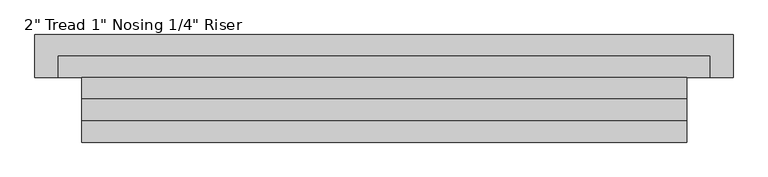
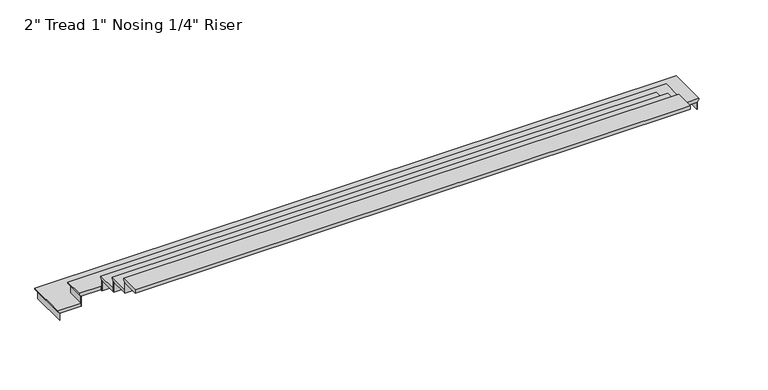
"""IFC4 building model written with IfcOpenShell, lengths in millimetres: stair flight geometry."""

from ifc_helpers import new_model, si_unit, origin, place, context, project, spatial, faceted_brep, source, transform, mapped, element, save


def stair_flight_d4f908f3(model_context):
    return source(origin(), model_context, "Body", "Brep", [
        faceted_brep([(-241855.058791, 154737.5023046, 438.15), (-241855.058791, 154737.5023046, 457.2), (-241855.058791, 155296.3023046, 457.2), (-241855.058791, 155296.3023046, 438.15), (-241829.658791, 154737.5023046, 412.75), (-241829.658791, 155270.9023046, 412.75), (-232792.3890136, 155296.3023046, 457.2), (-232792.3890136, 155296.3023046, 438.15), (-232817.7890136, 155270.9023046, 412.75), (-232792.3890136, 154737.5023046, 457.2), (-232792.3890136, 154737.5023046, 438.15), (-232817.7890136, 154737.5023046, 412.75), (-241527.4239023, 154737.5023046, 457.2), (-241527.4239023, 154991.5023046, 457.2), (-241248.0239023, 154991.5023046, 457.2), (-233120.0239023, 154991.5023046, 457.2), (-233120.0239023, 154737.5023046, 457.2), (-232817.7890136, 154737.5023046, 406.4), (-233120.0239023, 154737.5023046, 406.4), (-233120.0239023, 154991.5023046, 406.4), (-241248.0239023, 154991.5023046, 406.4), (-241527.4239023, 154991.5023046, 406.4), (-241527.4239023, 154737.5023046, 406.4), (-241829.658791, 154737.5023046, 406.4), (-241829.658791, 155270.9023046, 406.4), (-232817.7890136, 155270.9023046, 406.4)], [[[0, 1, 2, 3]], [[4, 0, 3, 5]], [[3, 2, 6, 7]], [[5, 3, 7, 8]], [[7, 6, 9, 10]], [[8, 7, 10, 11]], [[9, 6, 2, 1, 12, 13, 14, 15, 16]], [[17, 18, 19, 20, 21, 22, 23, 24, 25]], [[9, 16, 18, 17, 11, 10]], [[17, 25, 8, 11]], [[25, 24, 5, 8]], [[24, 23, 4, 5]], [[12, 1, 0, 4, 23, 22]], [[13, 12, 22, 21]], [[14, 13, 21, 20]], [[15, 14, 20, 19]], [[16, 15, 19, 18]]]),
        faceted_brep([(-241829.658791, 154737.5023046, 406.4), (-241829.658791, 154737.5023046, 304.8), (-241823.308791, 154737.5023046, 304.8), (-241823.308791, 154737.5023046, 406.4), (-241829.658791, 155270.9023046, 406.4), (-241829.658791, 155270.9023046, 304.8), (-241823.308791, 155264.5523046, 304.8), (-241823.308791, 155264.5523046, 406.4), (-232817.7890136, 155270.9023046, 406.4), (-232817.7890136, 155270.9023046, 304.8), (-232824.1390136, 155264.5523046, 304.8), (-232824.1390136, 155264.5523046, 406.4), (-232817.7890136, 154737.5023046, 406.4), (-232824.1390136, 154737.5023046, 406.4), (-232824.1390136, 154737.5023046, 304.8), (-232817.7890136, 154737.5023046, 304.8)], [[[0, 1, 2, 3]], [[1, 0, 4, 5]], [[2, 1, 5, 6]], [[3, 2, 6, 7]], [[0, 3, 7, 4]], [[5, 4, 8, 9]], [[6, 5, 9, 10]], [[7, 6, 10, 11]], [[4, 7, 11, 8]], [[12, 13, 14, 15]], [[9, 8, 12, 15]], [[10, 9, 15, 14]], [[11, 10, 14, 13]], [[8, 11, 13, 12]]]),
        faceted_brep([(-241527.4239023, 154737.5023046, 558.8), (-241527.4239023, 154737.5023046, 406.4), (-241521.0739023, 154737.5023046, 406.4), (-241521.0739023, 154737.5023046, 558.8), (-241527.4239023, 154991.5023046, 558.8), (-241527.4239023, 154991.5023046, 406.4), (-241521.0739023, 154985.1523046, 406.4), (-241521.0739023, 154985.1523046, 558.8), (-233120.0239023, 154991.5023046, 558.8), (-233120.0239023, 154991.5023046, 406.4), (-233126.3739023, 154985.1523046, 406.4), (-233126.3739023, 154985.1523046, 558.8), (-233120.0239023, 154737.5023046, 558.8), (-233126.3739023, 154737.5023046, 558.8), (-233126.3739023, 154737.5023046, 406.4), (-233120.0239023, 154737.5023046, 406.4)], [[[0, 1, 2, 3]], [[1, 0, 4, 5]], [[2, 1, 5, 6]], [[3, 2, 6, 7]], [[0, 3, 7, 4]], [[5, 4, 8, 9]], [[6, 5, 9, 10]], [[7, 6, 10, 11]], [[4, 7, 11, 8]], [[12, 13, 14, 15]], [[9, 8, 12, 15]], [[10, 9, 15, 14]], [[11, 10, 14, 13]], [[8, 11, 13, 12]]]),
        faceted_brep([(-233396.858791, 154712.1023046, 609.6), (-233396.858791, 154737.5023046, 609.6), (-233094.6239023, 154737.5023046, 609.6), (-233094.6239023, 155016.9023046, 609.6), (-241552.8239023, 155016.9023046, 609.6), (-241552.8239023, 154737.5023046, 609.6), (-241245.458791, 154737.5023046, 609.6), (-241245.458791, 154712.1023046, 609.6), (-233396.858791, 154737.5023046, 558.8), (-233396.858791, 154712.1023046, 558.8), (-241245.458791, 154712.1023046, 558.8), (-241245.458791, 154737.5023046, 558.8), (-241527.4239023, 154737.5023046, 558.8), (-241527.4239023, 154991.5023046, 558.8), (-241248.0239023, 154991.5023046, 558.8), (-233120.0239023, 154991.5023046, 558.8), (-233120.0239023, 154737.5023046, 558.8), (-233120.0239023, 154737.5023046, 565.15), (-233094.6239023, 154737.5023046, 590.55), (-233120.0239023, 154991.5023046, 565.15), (-241248.0239023, 154991.5023046, 565.15), (-241527.4239023, 154991.5023046, 565.15), (-241527.4239023, 154737.5023046, 565.15), (-241552.8239023, 154737.5023046, 590.55), (-241552.8239023, 155016.9023046, 590.55), (-233094.6239023, 155016.9023046, 590.55)], [[[0, 1, 2, 3, 4, 5, 6, 7]], [[8, 9, 10, 11, 12, 13, 14, 15, 16]], [[1, 0, 9, 8]], [[2, 1, 8, 16, 17, 18]], [[16, 15, 19, 17]], [[15, 14, 20, 19]], [[14, 13, 21, 20]], [[13, 12, 22, 21]], [[6, 5, 23, 22, 12, 11]], [[7, 6, 11, 10]], [[0, 7, 10, 9]], [[23, 5, 4, 24]], [[22, 23, 24, 21]], [[24, 4, 3, 25]], [[21, 24, 25, 19, 20]], [[25, 3, 2, 18]], [[19, 25, 18, 17]]]),
        faceted_brep([(-241245.458791, 154712.1023046, 711.2), (-241245.458791, 154712.1023046, 558.8), (-241245.458791, 154705.7523046, 558.8), (-241245.458791, 154705.7523046, 711.2), (-233396.858791, 154712.1023046, 711.2), (-233396.858791, 154705.7523046, 711.2), (-233396.858791, 154705.7523046, 558.8), (-233396.858791, 154712.1023046, 558.8)], [[[0, 1, 2, 3]], [[4, 5, 6, 7]], [[1, 0, 4, 7]], [[2, 1, 7, 6]], [[3, 2, 6, 5]], [[0, 3, 5, 4]]]),
        faceted_brep([(-233396.858791, 154737.5023046, 762.0), (-241245.458791, 154737.5023046, 762.0), (-241245.458791, 154432.7023046, 762.0), (-233396.858791, 154432.7023046, 762.0), (-233396.858791, 154712.1023046, 711.2), (-233396.858791, 154432.7023046, 711.2), (-241245.458791, 154432.7023046, 711.2), (-241245.458791, 154712.1023046, 711.2), (-233396.858791, 154712.1023046, 717.55), (-233396.858791, 154737.5023046, 742.95), (-241245.458791, 154712.1023046, 717.55), (-241245.458791, 154737.5023046, 742.95)], [[[0, 1, 2, 3]], [[4, 5, 6, 7]], [[0, 3, 5, 4, 8, 9]], [[4, 7, 10, 8]], [[2, 1, 11, 10, 7, 6]], [[3, 2, 6, 5]], [[11, 1, 0, 9]], [[10, 11, 9, 8]]]),
        faceted_brep([(-241245.458791, 154432.7023046, 863.6), (-241245.458791, 154432.7023046, 711.2), (-241245.458791, 154426.3523046, 711.2), (-241245.458791, 154426.3523046, 863.6), (-233396.858791, 154432.7023046, 863.6), (-233396.858791, 154426.3523046, 863.6), (-233396.858791, 154426.3523046, 711.2), (-233396.858791, 154432.7023046, 711.2)], [[[0, 1, 2, 3]], [[4, 5, 6, 7]], [[1, 0, 4, 7]], [[2, 1, 7, 6]], [[3, 2, 6, 5]], [[0, 3, 5, 4]]]),
        faceted_brep([(-233396.858791, 154458.1023046, 914.4), (-241245.458791, 154458.1023046, 914.4), (-241245.458791, 154153.3023046, 914.4), (-233396.858791, 154153.3023046, 914.4), (-233396.858791, 154432.7023046, 863.6), (-233396.858791, 154153.3023046, 863.6), (-241245.458791, 154153.3023046, 863.6), (-241245.458791, 154432.7023046, 863.6), (-233396.858791, 154432.7023046, 869.95), (-233396.858791, 154458.1023046, 895.35), (-241245.458791, 154432.7023046, 869.95), (-241245.458791, 154458.1023046, 895.35)], [[[0, 1, 2, 3]], [[4, 5, 6, 7]], [[0, 3, 5, 4, 8, 9]], [[4, 7, 10, 8]], [[2, 1, 11, 10, 7, 6]], [[3, 2, 6, 5]], [[11, 1, 0, 9]], [[10, 11, 9, 8]]]),
        faceted_brep([(-241245.458791, 154153.3023046, 1016.0), (-241245.458791, 154153.3023046, 863.6), (-241245.458791, 154146.9523046, 863.6), (-241245.458791, 154146.9523046, 1016.0), (-233396.858791, 154153.3023046, 1016.0), (-233396.858791, 154146.9523046, 1016.0), (-233396.858791, 154146.9523046, 863.6), (-233396.858791, 154153.3023046, 863.6)], [[[0, 1, 2, 3]], [[4, 5, 6, 7]], [[1, 0, 4, 7]], [[2, 1, 7, 6]], [[3, 2, 6, 5]], [[0, 3, 5, 4]]]),
        faceted_brep([(-233396.858791, 154178.7023046, 1066.8), (-241245.458791, 154178.7023046, 1066.8), (-241245.458791, 153899.3023046, 1066.8), (-233396.858791, 153899.3023046, 1066.8), (-233396.858791, 154153.3023046, 1016.0), (-233396.858791, 153899.3023046, 1016.0), (-241245.458791, 153899.3023046, 1016.0), (-241245.458791, 154153.3023046, 1016.0), (-233396.858791, 154153.3023046, 1022.35), (-233396.858791, 154178.7023046, 1047.75), (-241245.458791, 154153.3023046, 1022.35), (-241245.458791, 154178.7023046, 1047.75)], [[[0, 1, 2, 3]], [[4, 5, 6, 7]], [[0, 3, 5, 4, 8, 9]], [[4, 7, 10, 8]], [[2, 1, 11, 10, 7, 6]], [[3, 2, 6, 5]], [[11, 1, 0, 9]], [[10, 11, 9, 8]]]),
    ])


if __name__ == "__main__":
    model = new_model("IFC4")
    model_context = context("Model", 3, world=origin())
    ifc_project = project(units=[si_unit("LENGTHUNIT", "METRE", prefix="MILLI")], contexts=[model_context])
    site = spatial("IfcSite", under=ifc_project)
    building = spatial("IfcBuilding", under=site)
    placement = place(None, origin())
    stair_flight_shape = stair_flight_d4f908f3(model_context)
    element("IfcStairFlight", 1, ObjectType="2\" Tread 1\" Nosing 1/4\" Riser", at=placement, inside=building, context=model_context, shape_type="MappedRepresentation", body=[
        mapped(stair_flight_shape, transform((0.0, 0.0, 0.0), x_axis=(1.0, 0.0, 0.0), y_axis=(0.0, 1.0, 0.0), z_axis=(0.0, 0.0, 1.0))),
    ])
    save(model, "model.ifc")
